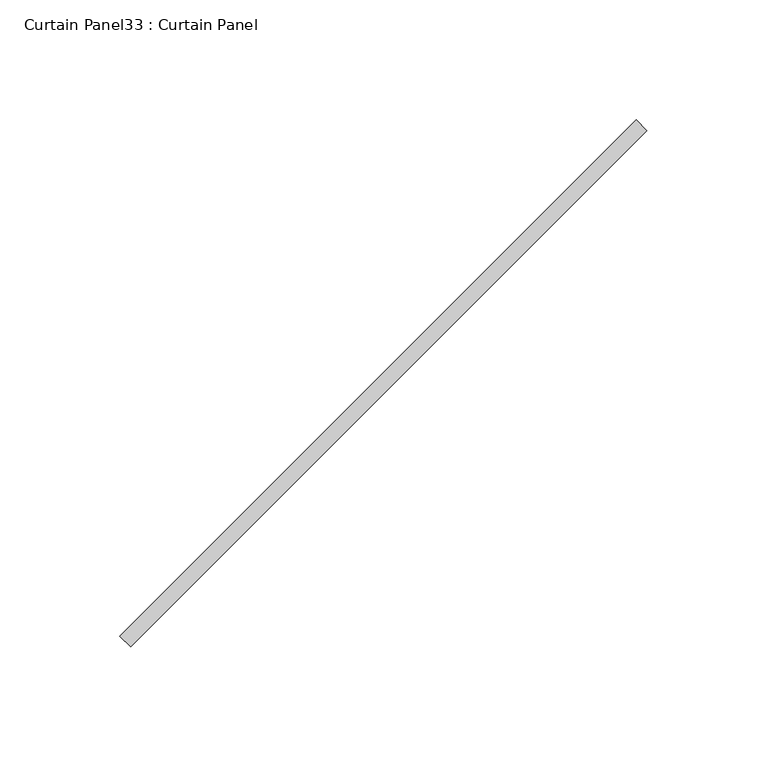
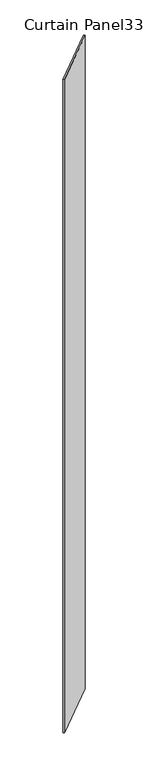
"""IFC4 building model written with IfcOpenShell, lengths in millimetres: plate geometry, Curtain Panel33 : Curtain Panel."""

from ifc_helpers import new_model, si_unit, origin, origin_with_axes, place, context, project, spatial, polyline, outline, extrude, source, transform, mapped, element, save


def curtain_panel33_curtain_panel_5be3eb12(model_context):
    return source(origin(), model_context, "Body", "SweptSolid", [
        extrude(outline(polyline([(289520.426118, 2513.0657039), (289304.8999711, 2297.539557), (289300.409843, 2302.029685), (289515.9359899, 2517.555832), (289520.426118, 2513.0657039)])), origin_with_axes(), (0.0, 0.0, 1.0), 3048.0),
    ])


if __name__ == "__main__":
    model = new_model("IFC4")
    model_context = context("Model", 3, world=origin())
    ifc_project = project(units=[si_unit("LENGTHUNIT", "METRE", prefix="MILLI")], contexts=[model_context])
    site = spatial("IfcSite", under=ifc_project)
    building = spatial("IfcBuilding", under=site)
    placement = place(None, origin())
    curtain_panel33_curtain_panel_shape = curtain_panel33_curtain_panel_5be3eb12(model_context)
    element("IfcPlate", 1, ObjectType="Curtain Panel33 : Curtain Panel", at=placement, inside=building, context=model_context, shape_type="MappedRepresentation", body=[
        mapped(curtain_panel33_curtain_panel_shape, transform((0.0, 0.0, 0.0), x_axis=(1.0, 0.0, 0.0), y_axis=(0.0, 1.0, 0.0), z_axis=(0.0, 0.0, 1.0))),
    ])
    save(model, "model.ifc")
